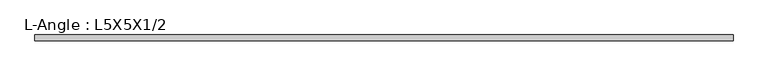
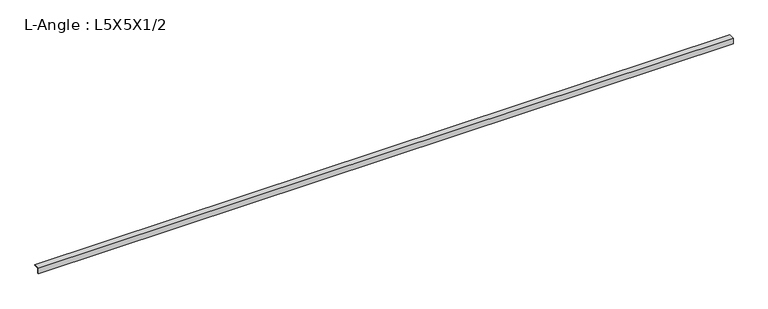
"""IFC4 building model written with IfcOpenShell, lengths in millimetres: beam geometry, L-Angle : L5X5X1/2."""

from ifc_helpers import new_model, si_unit, point, frame, frame_2d, origin, place, context, project, spatial, polyline, circle_curve, trimmed, segment, composite_curve, outline, extrude, source, transform, mapped, element, save


def l_angle_l5x5x1_2_3aa29a44(model_context):
    return source(origin(), model_context, "Body", "SweptSolid", [
        extrude(outline(composite_curve([segment(polyline([(-36.068, 36.068), (90.932, 36.068)]), True, "CONTINUOUS"), segment(trimmed(circle_curve(frame_2d((78.232, 36.068)), 12.7), [point((90.932, 36.068))], [point((78.232, 23.368))], False, "CARTESIAN"), True, "CONTINUOUS"), segment(polyline([(78.232, 23.368), (-10.668, 23.368)]), True, "CONTINUOUS"), segment(trimmed(circle_curve(frame_2d((-10.668, 10.668)), 12.7), [point((-10.668, 23.368))], [point((-23.368, 10.668))], True, "CARTESIAN"), True, "CONTINUOUS"), segment(polyline([(-23.368, 10.668), (-23.368, -78.232)]), True, "CONTINUOUS"), segment(trimmed(circle_curve(frame_2d((-36.068, -78.232)), 12.7), [point((-23.368, -78.232))], [point((-36.068, -90.932))], False, "CARTESIAN"), True, "CONTINUOUS"), segment(polyline([(-36.068, -90.932), (-36.068, 36.068)]), True, "CONTINUOUS")], self_intersect=False)), frame((-7445.6239727, 0.0, 0.0), z_axis=(1.0, 0.0, 0.0), x_axis=(0.0, 1.0, 0.0)), (0.0, 0.0, 1.0), 14885.6649727),
    ])


if __name__ == "__main__":
    model = new_model("IFC4")
    model_context = context("Model", 3, world=origin())
    ifc_project = project(units=[si_unit("LENGTHUNIT", "METRE", prefix="MILLI")], contexts=[model_context])
    site = spatial("IfcSite", under=ifc_project)
    building = spatial("IfcBuilding", under=site)
    placement = place(None, origin())
    l_angle_l5x5x1_2_shape = l_angle_l5x5x1_2_3aa29a44(model_context)
    element("IfcBeam", 1, ObjectType="L-Angle : L5X5X1/2", at=placement, inside=building, context=model_context, shape_type="MappedRepresentation", body=[
        mapped(l_angle_l5x5x1_2_shape, transform((0.0, 0.0, 0.0), x_axis=(1.0, 0.0, 0.0), y_axis=(0.0, 1.0, 0.0), z_axis=(0.0, 0.0, 1.0))),
    ])
    save(model, "model.ifc")
